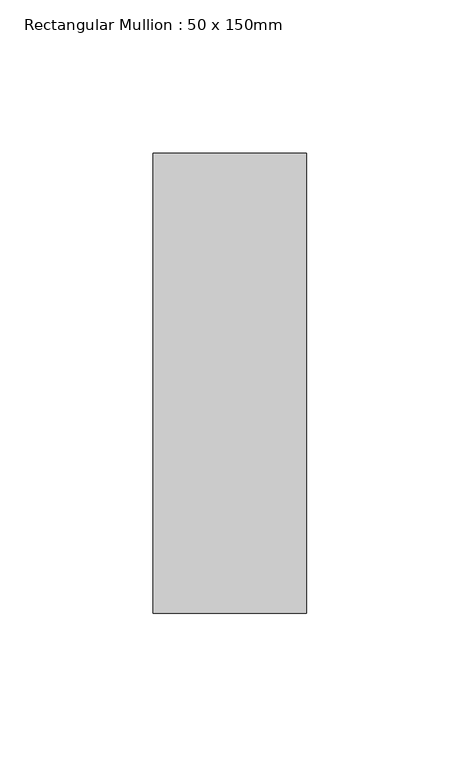
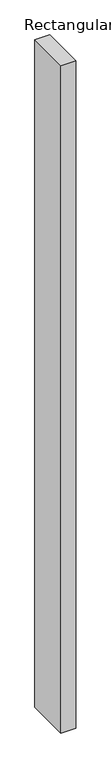
"""IFC4 building model written with IfcOpenShell, lengths in millimetres: member geometry, Rectangular Mullion : 50 x 150mm."""

import ifcopenshell
import ifcopenshell.guid

model = None  # the IFC model being written
_history = None  # IfcOwnerHistory: only IFC2X3 demands one
_inside = {}  # id of a spatial element -> (the spatial element, [elements in it])
_under = {}  # id of a project, library or spatial element -> (it, [spatial elements below it])
_declared = {}  # id of a project -> (the project, [libraries it declares])
_typed = {}  # id of a type object -> (the type object, [elements of that type])
_made_of = {}  # id of a material, layer set ... -> (it, [elements and type objects made of it])


def new_model(schema):
    """Start an empty IFC model of exactly this schema.

    Asked for "IFC4X3", IfcOpenShell would pick the latest addendum, in which some entities
    have other attributes; the version numbers below select the first issue.
    IFC2X3 requires an IfcOwnerHistory on every rooted entity: one is made here for all.
    """
    global model, _history
    if schema == "IFC4X3":
        model = ifcopenshell.file(schema_version=(4, 3, 0, 0))
    else:
        model = ifcopenshell.file(schema=schema)
    _inside.clear()
    _under.clear()
    _declared.clear()
    _typed.clear()
    _made_of.clear()
    _history = None
    if model.schema == "IFC2X3":
        org = make("IfcOrganization", Name="unknown")
        user = make(
            "IfcPersonAndOrganization",
            ThePerson=make("IfcPerson", FamilyName="unknown"),
            TheOrganization=org,
        )
        app = make(
            "IfcApplication",
            ApplicationDeveloper=org,
            Version="unknown",
            ApplicationFullName="unknown",
            ApplicationIdentifier="unknown",
        )
        _history = make(
            "IfcOwnerHistory",
            OwningUser=user,
            OwningApplication=app,
            ChangeAction="ADDED",
            CreationDate=0,
        )
    return model


def make(cls, **values):
    """One entity of the class cls with the attributes given. An attribute that is None is left unset."""
    return model.create_entity(
        cls, **{name: value for name, value in values.items() if value is not None}
    )


def rooted(cls, **values):
    """An entity with a GlobalId (a new one), such as an element, a storey or a relation."""
    return make(cls, GlobalId=ifcopenshell.guid.new(), OwnerHistory=_history, **values)


def si_unit(unit_type, name, prefix=None):
    """IfcSIUnit, for example si_unit("LENGTHUNIT", "METRE", prefix="MILLI")."""
    return make("IfcSIUnit", UnitType=unit_type, Prefix=prefix, Name=name)


def assignment(units):
    """IfcUnitAssignment: the units of a project."""
    return None if units is None else make("IfcUnitAssignment", Units=units)


def point(xyz):
    """IfcCartesianPoint."""
    return None if xyz is None else make("IfcCartesianPoint", Coordinates=xyz)


def direction(xyz):
    """IfcDirection."""
    return None if xyz is None else make("IfcDirection", DirectionRatios=xyz)


def frame(location, z_axis=None, x_axis=None):
    """IfcAxis2Placement3D, a coordinate frame: its origin and axes. An axis left out is left unset."""
    return make(
        "IfcAxis2Placement3D",
        Location=point(location),
        Axis=direction(z_axis),
        RefDirection=direction(x_axis),
    )


def origin():
    """The frame at (0, 0, 0) with its axes left unset."""
    return frame((0.0, 0.0, 0.0))


def place(relative_to, where):
    """IfcLocalPlacement: puts the frame where relative to a parent placement (None: the world)."""
    return make(
        "IfcLocalPlacement", PlacementRelTo=relative_to, RelativePlacement=where
    )


def context(
    kind, dimensions, precision=None, world=None, true_north=None, identifier=None
):
    """IfcGeometricRepresentationContext, for example the 3D "Model" context."""
    return make(
        "IfcGeometricRepresentationContext",
        ContextIdentifier=identifier,
        ContextType=kind,
        CoordinateSpaceDimension=dimensions,
        Precision=precision,
        WorldCoordinateSystem=world,
        TrueNorth=true_north,
    )


def project(units=None, contexts=None):
    """IfcProject with its units and contexts."""
    return rooted(
        "IfcProject",
        Name="project",
        RepresentationContexts=contexts,
        UnitsInContext=assignment(units),
    )


def spatial(cls, under=None, at=None, **own):
    """A site, building, storey or space (cls), placed at a placement, below another one or the project."""
    s = rooted(cls, ObjectPlacement=at, **own)
    if under is not None:
        _under.setdefault(under.id(), (under, []))[1].append(s)
    return s


def polyline(points):
    """IfcPolyline through the points."""
    return make("IfcPolyline", Points=[point(p) for p in points])


def outline(outer, holes=None, kind="AREA"):
    """IfcArbitraryClosedProfileDef: a profile drawn as a closed curve; with holes, ...WithVoids."""
    if holes is None:
        return make("IfcArbitraryClosedProfileDef", ProfileType=kind, OuterCurve=outer)
    return make(
        "IfcArbitraryProfileDefWithVoids",
        ProfileType=kind,
        OuterCurve=outer,
        InnerCurves=holes,
    )


def extrude(swept, where, along, depth):
    """IfcExtrudedAreaSolid: the profile swept, set in the frame where, extruded along a direction by depth."""
    return make(
        "IfcExtrudedAreaSolid",
        SweptArea=swept,
        Position=where,
        ExtrudedDirection=direction(along),
        Depth=depth,
    )


def shape(context_of_items, identifier, shape_type, items):
    """IfcShapeRepresentation: the items that make up one representation, for example the "Body"."""
    return make(
        "IfcShapeRepresentation",
        ContextOfItems=context_of_items,
        RepresentationIdentifier=identifier,
        RepresentationType=shape_type,
        Items=items,
    )


def source(mapping_origin, context_of_items, identifier, shape_type, items):
    """IfcRepresentationMap: a shape defined once, which mapped items show again and again."""
    return make(
        "IfcRepresentationMap",
        MappingOrigin=mapping_origin,
        MappedRepresentation=shape(context_of_items, identifier, shape_type, items),
    )


def transform(
    local_origin,
    x_axis=None,
    y_axis=None,
    z_axis=None,
    scale=None,
    scale2=None,
    scale3=None,
    uniform=True,
):
    """IfcCartesianTransformationOperator3D, or its non-uniform kind. x_axis, y_axis, z_axis: its Axis1, 2, 3."""
    if uniform:
        return make(
            "IfcCartesianTransformationOperator3D",
            Axis1=direction(x_axis),
            Axis2=direction(y_axis),
            LocalOrigin=point(local_origin),
            Scale=scale,
            Axis3=direction(z_axis),
        )
    return make(
        "IfcCartesianTransformationOperator3DnonUniform",
        Axis1=direction(x_axis),
        Axis2=direction(y_axis),
        LocalOrigin=point(local_origin),
        Scale=scale,
        Axis3=direction(z_axis),
        Scale2=scale2,
        Scale3=scale3,
    )


def mapped(mapping_source, mapping_target):
    """IfcMappedItem: shows the shape of a source again, moved by a transform."""
    return make(
        "IfcMappedItem", MappingSource=mapping_source, MappingTarget=mapping_target
    )


def made_of(thing, what):
    """Note that an element or type object is made of a material, layer set ...; save() writes the relation."""
    if what is not None:
        _made_of.setdefault(what.id(), (what, []))[1].append(thing)
    return thing


def element(
    cls,
    number,
    at=None,
    inside=None,
    cuts=None,
    type_object=None,
    material=None,
    context=None,
    identifier="Body",
    shape_type=None,
    held_by="IfcProductDefinitionShape",
    body=None,
    shapes=None,
    **own,
):
    """One element of the class cls, such as IfcWall. Its Tag is "e" and its number.

    at: its placement. inside: the storey or other place that contains it. cuts: it is an
    opening in that element (IfcRelVoidsElement). A single representation is given by context,
    identifier, shape_type and body (its items); several are given by shapes. held_by: the class
    of the entity that holds the representations. save() writes the other relations.
    """
    e = rooted(cls, Tag="e%d" % number, ObjectPlacement=at, **own)
    if body is not None:
        shapes = [shape(context, identifier, shape_type, body)]
    if shapes is not None:
        e.Representation = make(held_by, Representations=shapes)
    if inside is not None:
        _inside.setdefault(inside.id(), (inside, []))[1].append(e)
    if cuts is not None:
        rooted(
            "IfcRelVoidsElement", RelatingBuildingElement=cuts, RelatedOpeningElement=e
        )
    if type_object is not None:
        _typed.setdefault(type_object.id(), (type_object, []))[1].append(e)
    return made_of(e, material)


def aggregate(whole, parts):
    """IfcRelAggregates: a whole, such as a stair, and the parts it consists of."""
    return rooted("IfcRelAggregates", RelatingObject=whole, RelatedObjects=parts)


def save(model, path):
    """Write the relations noted so far, then the file.

    IfcRelAggregates (storeys below a building ...), IfcRelContainedInSpatialStructure (elements
    in a storey), IfcRelDefinesByType, IfcRelAssociatesMaterial and IfcRelDeclares: one each for
    every whole, place, type object, material and project.
    """
    for whole, parts in _under.values():
        aggregate(whole, parts)
    for where, things in _inside.values():
        rooted(
            "IfcRelContainedInSpatialStructure",
            RelatedElements=things,
            RelatingStructure=where,
        )
    for kind, things in _typed.values():
        rooted("IfcRelDefinesByType", RelatedObjects=things, RelatingType=kind)
    for what, things in _made_of.values():
        rooted("IfcRelAssociatesMaterial", RelatedObjects=things, RelatingMaterial=what)
    for by, libraries in _declared.values():
        rooted("IfcRelDeclares", RelatingContext=by, RelatedDefinitions=libraries)
    model.write(path)


def rectangular_mullion_50_x_150mm_8b0a0560(model_context):
    return source(origin(), model_context, "Body", "SweptSolid", [
        extrude(outline(polyline([(0.0, 75.0), (0.0, -75.0), (-50.0, -75.0), (-50.0, 75.0), (0.0, 75.0)])), frame((0.0, 0.0, -2350.0), z_axis=(0.0, 0.0, 1.0), x_axis=(1.0, 0.0, 0.0)), (0.0, 0.0, 1.0), 2350.0),
    ])


if __name__ == "__main__":
    model = new_model("IFC4")
    model_context = context("Model", 3, world=origin())
    ifc_project = project(units=[si_unit("LENGTHUNIT", "METRE", prefix="MILLI")], contexts=[model_context])
    site = spatial("IfcSite", under=ifc_project)
    building = spatial("IfcBuilding", under=site)
    placement = place(None, origin())
    rectangular_mullion_50_x_150mm_shape = rectangular_mullion_50_x_150mm_8b0a0560(model_context)
    element("IfcMember", 1, ObjectType="Rectangular Mullion : 50 x 150mm", at=placement, inside=building, context=model_context, shape_type="MappedRepresentation", body=[
        mapped(rectangular_mullion_50_x_150mm_shape, transform((0.0, 0.0, 0.0), x_axis=(1.0, 0.0, 0.0), y_axis=(0.0, 1.0, 0.0), z_axis=(0.0, 0.0, 1.0))),
    ])
    save(model, "model.ifc")
